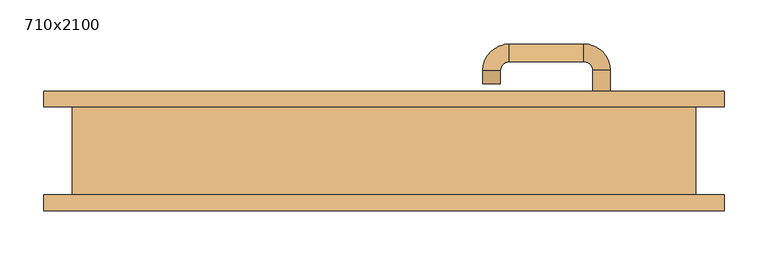
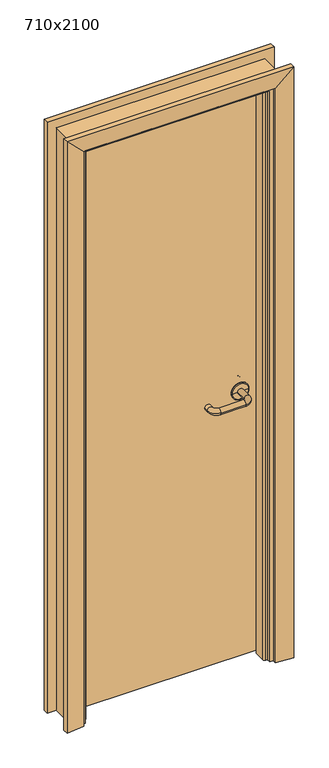
"""IFC4 building model written with IfcOpenShell, lengths in millimetres: door geometry, 710x2100."""

from ifc_helpers import new_model, si_unit, point, frame, origin, place, context, project, spatial, polyline, circle_curve, ellipse_curve, trimmed, outline, extrude, faceted_brep, source, transform, mapped, element, save
from ifc_brep_helpers import plane_surface, cylinder_surface, revolved_surface, advanced_brep


def door_710x2100_590fccc9(model_context):
    return source(origin(), model_context, "Body", "SolidModel", [
        advanced_brep(
        [(257.5389275, 50.0, 965.0), (237.5389275, 50.0, 965.0), (237.5389275, 91.7730895, 965.0), (257.5389275, 91.7730895, 965.0), (227.5389275, 121.7730895, 965.0), (227.5389275, 101.7730895, 965.0), (142.5389265, 101.7730895, 965.0), (142.5389265, 121.7730895, 965.0), (112.5389265, 91.7730895, 965.0), (132.5389265, 91.7730895, 965.0), (112.5389265, 76.7730887, 965.0), (132.5389265, 76.7730887, 965.0)],
        [
            (0, 1, circle_curve(frame((247.5389275, 50.0, 965.0), z_axis=(0.0, -1.0, 0.0), x_axis=(-1.0, 0.0, 0.0)), 10.0)),
            (1, 0, circle_curve(frame((247.5389275, 50.0, 965.0), z_axis=(0.0, -1.0, 0.0), x_axis=(-1.0, 0.0, 0.0)), 10.0)),
            (1, 2),
            (2, 3, circle_curve(frame((247.5389275, 91.7730895, 965.0), z_axis=(0.0, -1.0, 0.0), x_axis=(-1.0, 0.0, 0.0)), 10.0)),
            (3, 0),
            (3, 2, circle_curve(frame((247.5389275, 91.7730895, 965.0), z_axis=(0.0, -1.0, 0.0), x_axis=(-1.0, 0.0, 0.0)), 10.0)),
            (4, 3, circle_curve(frame((227.5389275, 91.7730895, 965.0), z_axis=(0.0, 0.0, -1.0), x_axis=(1.0, 0.0, 0.0)), 30.0)),
            (2, 5, circle_curve(frame((227.5389275, 91.7730895, 965.0), z_axis=(0.0, 0.0, 1.0), x_axis=(1.0, 0.0, 0.0)), 10.0)),
            (5, 4, circle_curve(frame((227.5389275, 111.7730895, 965.0), z_axis=(1.0, 0.0, 0.0), x_axis=(0.0, -1.0, 0.0)), 10.0)),
            (4, 5, circle_curve(frame((227.5389275, 111.7730895, 965.0), z_axis=(1.0, 0.0, 0.0), x_axis=(0.0, -1.0, 0.0)), 10.0)),
            (5, 6),
            (6, 7, circle_curve(frame((142.5389265, 111.7730895, 965.0), z_axis=(1.0, 0.0, 0.0), x_axis=(0.0, -1.0, 0.0)), 10.0)),
            (7, 4),
            (7, 6, circle_curve(frame((142.5389265, 111.7730895, 965.0), z_axis=(1.0, 0.0, 0.0), x_axis=(0.0, -1.0, 0.0)), 10.0)),
            (8, 7, circle_curve(frame((142.5389265, 91.7730895, 965.0), z_axis=(0.0, 0.0, -1.0), x_axis=(0.0, 1.0, 0.0)), 30.0)),
            (6, 9, circle_curve(frame((142.5389265, 91.7730895, 965.0), z_axis=(0.0, 0.0, 1.0), x_axis=(0.0, 1.0, 0.0)), 10.0)),
            (9, 8, circle_curve(frame((122.5389265, 91.7730895, 965.0), z_axis=(0.0, 1.0, 0.0), x_axis=(1.0, 0.0, 0.0)), 10.0)),
            (8, 9, circle_curve(frame((122.5389265, 91.7730895, 965.0), z_axis=(0.0, 1.0, 0.0), x_axis=(1.0, 0.0, 0.0)), 10.0)),
            (10, 11, circle_curve(frame((122.5389265, 76.7730887, 965.0), z_axis=(0.0, -1.0, 0.0), x_axis=(1.0, 0.0, 0.0)), 10.0)),
            (11, 10, circle_curve(frame((122.5389265, 76.7730887, 965.0), z_axis=(0.0, -1.0, 0.0), x_axis=(1.0, 0.0, 0.0)), 10.0)),
            (9, 11),
            (10, 8),
        ],
        [
            plane_surface(frame((247.5389275, 50.0, 965.0), z_axis=(0.0, -1.0, 0.0), x_axis=(0.0, 0.0, 1.0))),
            cylinder_surface(frame((247.5389275, 50.0, 965.0), z_axis=(0.0, -1.0, 0.0), x_axis=(-1.0, 0.0, 0.0)), 10.0),
            revolved_surface(trimmed(ellipse_curve(frame((247.5389275, 91.7730895, 965.0), z_axis=(0.0, -1.0, 0.0), x_axis=(-1.0, 0.0, 0.0)), 10.0, 10.0), [point((237.5389275, 91.7730895, 965.0))], [point((257.5389275, 91.7730895, 965.0))], True, "CARTESIAN"), (227.5389275, 91.7730895, 965.0), (0.0, 0.0, 1.0)),
            revolved_surface(trimmed(ellipse_curve(frame((247.5389275, 91.7730895, 965.0), z_axis=(0.0, -1.0, 0.0), x_axis=(-1.0, 0.0, 0.0)), 10.0, 10.0), [point((257.5389275, 91.7730895, 965.0))], [point((237.5389275, 91.7730895, 965.0))], True, "CARTESIAN"), (227.5389275, 91.7730895, 965.0), (0.0, 0.0, 1.0)),
            cylinder_surface(frame((227.5389275, 111.7730895, 965.0), z_axis=(1.0, 0.0, 0.0), x_axis=(0.0, -1.0, 0.0)), 10.0),
            revolved_surface(trimmed(ellipse_curve(frame((142.5389265, 111.7730895, 965.0), z_axis=(1.0, 0.0, 0.0), x_axis=(0.0, -1.0, 0.0)), 10.0, 10.0), [point((142.5389265, 101.7730895, 965.0))], [point((142.5389265, 121.7730895, 965.0))], True, "CARTESIAN"), (142.5389265, 91.7730895, 965.0), (0.0, 0.0, 1.0)),
            revolved_surface(trimmed(ellipse_curve(frame((142.5389265, 111.7730895, 965.0), z_axis=(1.0, 0.0, 0.0), x_axis=(0.0, -1.0, 0.0)), 10.0, 10.0), [point((142.5389265, 121.7730895, 965.0))], [point((142.5389265, 101.7730895, 965.0))], True, "CARTESIAN"), (142.5389265, 91.7730895, 965.0), (0.0, 0.0, 1.0)),
            plane_surface(frame((122.5389265, 76.7730887, 965.0), z_axis=(0.0, -1.0, 0.0), x_axis=(0.0, 0.0, 1.0))),
            cylinder_surface(frame((122.5389265, 91.7730895, 965.0), z_axis=(0.0, 1.0, 0.0), x_axis=(1.0, 0.0, 0.0)), 10.0),
        ],
        [
            (0, [[1, 2]]),
            (1, [[-2, 3, 4, 5]]),
            (1, [[-1, -5, 6, -3]]),
            (2, [[7, -4, 8, 9]]),
            (3, [[-8, -6, -7, 10]]),
            (4, [[-9, 11, 12, 13]]),
            (4, [[-10, -13, 14, -11]]),
            (5, [[15, -12, 16, 17]]),
            (6, [[-16, -14, -15, 18]]),
            (7, [[19, 20]]),
            (8, [[-17, 21, -19, 22]]),
            (8, [[-18, -22, -20, -21]]),
        ],
    ),
        advanced_brep(
        [(247.5389275, 50.0, 965.0), (217.5389281, 50.0, 965.0), (277.5389268, 50.0, 965.0), (217.5389281, 50.819943, 965.0), (277.5389268, 50.819943, 965.0), (274.5857807, 53.7730891, 965.0), (220.4920742, 53.7730891, 965.0), (247.5389275, 53.7730891, 965.0)],
        [
            (0, 1),
            (1, 2, circle_curve(frame((247.5389275, 50.0, 965.0), z_axis=(0.0, -1.0, 0.0), x_axis=(-1.0, 0.0, 0.0)), 29.9999993)),
            (2, 0),
            (2, 1, circle_curve(frame((247.5389275, 50.0, 965.0), z_axis=(0.0, -1.0, 0.0), x_axis=(-1.0, 0.0, 0.0)), 29.9999993)),
            (1, 3),
            (3, 4, circle_curve(frame((247.5389275, 50.819943, 965.0), z_axis=(0.0, -1.0, 0.0), x_axis=(-1.0, 0.0, 0.0)), 29.9999993)),
            (4, 2),
            (4, 3, circle_curve(frame((247.5389275, 50.819943, 965.0), z_axis=(0.0, -1.0, 0.0), x_axis=(-1.0, 0.0, 0.0)), 29.9999993)),
            (5, 6, circle_curve(frame((247.5389275, 53.7730891, 965.0), z_axis=(0.0, 1.0, 0.0), x_axis=(-1.0, 0.0, 0.0)), 27.0468532)),
            (6, 7),
            (7, 5),
            (6, 5, circle_curve(frame((247.5389275, 53.7730891, 965.0), z_axis=(0.0, 1.0, 0.0), x_axis=(-1.0, 0.0, 0.0)), 27.0468532)),
            (3, 6, circle_curve(frame((220.4920742, 50.819943, 965.0), z_axis=(0.0, 0.0, -1.0), x_axis=(1.0, 0.0, 0.0)), 2.9531461)),
            (5, 4, circle_curve(frame((274.5857807, 50.819943, 965.0), z_axis=(0.0, 0.0, -1.0), x_axis=(-1.0, 0.0, 0.0)), 2.9531461)),
        ],
        [
            plane_surface(frame((247.5389275, 50.0, 965.0), z_axis=(0.0, -1.0, 0.0), x_axis=(-1.0, 0.0, 0.0))),
            cylinder_surface(frame((247.5389275, 50.0, 965.0), z_axis=(0.0, -1.0, 0.0), x_axis=(-1.0, 0.0, 0.0)), 29.9999993),
            plane_surface(frame((247.5389275, 53.7730891, 965.0), z_axis=(0.0, 1.0, 0.0), x_axis=(-1.0, 0.0, 0.0))),
            revolved_surface(trimmed(ellipse_curve(frame((220.4920742, 50.819943, 965.0), z_axis=(0.0, 0.0, 1.0), x_axis=(1.0, 0.0, 0.0)), 2.9531461, 2.9531461), [point((220.4920742, 53.7730891, 965.0))], [point((217.5389281, 50.819943, 965.0))], True, "CARTESIAN"), (247.5389275, 50.0, 965.0), (0.0, -1.0, 0.0)),
        ],
        [
            (0, [[1, 2, 3]]),
            (0, [[-3, 4, -1]]),
            (1, [[-2, 5, 6, 7]]),
            (1, [[-4, -7, 8, -5]]),
            (2, [[9, 10, 11]]),
            (2, [[12, -11, -10]]),
            (3, [[-6, 13, -9, 14]]),
            (3, [[-8, -14, -12, -13]]),
        ],
    ),
        advanced_brep(
        [(257.5389275, 10.0, 965.0), (237.5389275, 10.0, 965.0), (257.5389275, -31.7730894, 965.0), (237.5389275, -31.7730894, 965.0), (227.5389275, -41.7730894, 965.0), (227.5389275, -61.7730894, 965.0), (142.5389265, -61.7730894, 965.0), (142.5389265, -41.7730894, 965.0), (132.5389265, -31.7730894, 965.0), (112.5389265, -31.7730894, 965.0), (112.5389265, -16.7730887, 965.0), (132.5389265, -16.7730887, 965.0)],
        [
            (0, 1, circle_curve(frame((247.5389275, 10.0, 965.0), z_axis=(0.0, 1.0, 0.0), x_axis=(-1.0, 0.0, 0.0)), 10.0)),
            (1, 0, circle_curve(frame((247.5389275, 10.0, 965.0), z_axis=(0.0, 1.0, 0.0), x_axis=(-1.0, 0.0, 0.0)), 10.0)),
            (0, 2),
            (2, 3, circle_curve(frame((247.5389275, -31.7730894, 965.0), z_axis=(0.0, 1.0, 0.0), x_axis=(-1.0, 0.0, 0.0)), 10.0)),
            (3, 1),
            (3, 2, circle_curve(frame((247.5389275, -31.7730894, 965.0), z_axis=(0.0, 1.0, 0.0), x_axis=(-1.0, 0.0, 0.0)), 10.0)),
            (4, 3, circle_curve(frame((227.5389275, -31.7730894, 965.0), z_axis=(0.0, 0.0, 1.0), x_axis=(1.0, 0.0, 0.0)), 10.0)),
            (2, 5, circle_curve(frame((227.5389275, -31.7730894, 965.0), z_axis=(0.0, 0.0, -1.0), x_axis=(1.0, 0.0, 0.0)), 30.0)),
            (5, 4, circle_curve(frame((227.5389275, -51.7730894, 965.0), z_axis=(1.0, 0.0, 0.0), x_axis=(0.0, 1.0, 0.0)), 10.0)),
            (4, 5, circle_curve(frame((227.5389275, -51.7730894, 965.0), z_axis=(1.0, 0.0, 0.0), x_axis=(0.0, 1.0, 0.0)), 10.0)),
            (5, 6),
            (6, 7, circle_curve(frame((142.5389265, -51.7730894, 965.0), z_axis=(1.0, 0.0, 0.0), x_axis=(0.0, 1.0, 0.0)), 10.0)),
            (7, 4),
            (7, 6, circle_curve(frame((142.5389265, -51.7730894, 965.0), z_axis=(1.0, 0.0, 0.0), x_axis=(0.0, 1.0, 0.0)), 10.0)),
            (8, 7, circle_curve(frame((142.5389265, -31.7730894, 965.0), z_axis=(0.0, 0.0, 1.0), x_axis=(0.0, -1.0, 0.0)), 10.0)),
            (6, 9, circle_curve(frame((142.5389265, -31.7730894, 965.0), z_axis=(0.0, 0.0, -1.0), x_axis=(0.0, -1.0, 0.0)), 30.0)),
            (9, 8, circle_curve(frame((122.5389265, -31.7730894, 965.0), z_axis=(0.0, -1.0, 0.0), x_axis=(1.0, 0.0, 0.0)), 10.0)),
            (8, 9, circle_curve(frame((122.5389265, -31.7730894, 965.0), z_axis=(0.0, -1.0, 0.0), x_axis=(1.0, 0.0, 0.0)), 10.0)),
            (10, 11, circle_curve(frame((122.5389265, -16.7730887, 965.0), z_axis=(0.0, 1.0, 0.0), x_axis=(1.0, 0.0, 0.0)), 10.0)),
            (11, 10, circle_curve(frame((122.5389265, -16.7730887, 965.0), z_axis=(0.0, 1.0, 0.0), x_axis=(1.0, 0.0, 0.0)), 10.0)),
            (9, 10),
            (11, 8),
        ],
        [
            plane_surface(frame((247.5389275, 10.0, 965.0), z_axis=(0.0, 1.0, 0.0), x_axis=(0.0, 0.0, 1.0))),
            cylinder_surface(frame((247.5389275, 10.0, 965.0), z_axis=(0.0, 1.0, 0.0), x_axis=(-1.0, 0.0, 0.0)), 10.0),
            revolved_surface(trimmed(ellipse_curve(frame((247.5389275, -31.7730894, 965.0), z_axis=(0.0, 1.0, 0.0), x_axis=(-1.0, 0.0, 0.0)), 10.0, 10.0), [point((257.5389275, -31.7730894, 965.0))], [point((237.5389275, -31.7730894, 965.0))], True, "CARTESIAN"), (227.5389275, -31.7730894, 965.0), (0.0, 0.0, -1.0)),
            revolved_surface(trimmed(ellipse_curve(frame((247.5389275, -31.7730894, 965.0), z_axis=(0.0, 1.0, 0.0), x_axis=(-1.0, 0.0, 0.0)), 10.0, 10.0), [point((237.5389275, -31.7730894, 965.0))], [point((257.5389275, -31.7730894, 965.0))], True, "CARTESIAN"), (227.5389275, -31.7730894, 965.0), (0.0, 0.0, -1.0)),
            cylinder_surface(frame((227.5389275, -51.7730894, 965.0), z_axis=(1.0, 0.0, 0.0), x_axis=(0.0, 1.0, 0.0)), 10.0),
            revolved_surface(trimmed(ellipse_curve(frame((142.5389265, -51.7730894, 965.0), z_axis=(1.0, 0.0, 0.0), x_axis=(0.0, 1.0, 0.0)), 10.0, 10.0), [point((142.5389265, -61.7730894, 965.0))], [point((142.5389265, -41.7730894, 965.0))], True, "CARTESIAN"), (142.5389265, -31.7730894, 965.0), (0.0, 0.0, -1.0)),
            revolved_surface(trimmed(ellipse_curve(frame((142.5389265, -51.7730894, 965.0), z_axis=(1.0, 0.0, 0.0), x_axis=(0.0, 1.0, 0.0)), 10.0, 10.0), [point((142.5389265, -41.7730894, 965.0))], [point((142.5389265, -61.7730894, 965.0))], True, "CARTESIAN"), (142.5389265, -31.7730894, 965.0), (0.0, 0.0, -1.0)),
            plane_surface(frame((122.5389265, -16.7730887, 965.0), z_axis=(0.0, 1.0, 0.0), x_axis=(0.0, 0.0, 1.0))),
            cylinder_surface(frame((122.5389265, -31.7730894, 965.0), z_axis=(0.0, -1.0, 0.0), x_axis=(1.0, 0.0, 0.0)), 10.0),
        ],
        [
            (0, [[1, 2]]),
            (1, [[-1, 3, 4, 5]]),
            (1, [[-2, -5, 6, -3]]),
            (2, [[7, -4, 8, 9]]),
            (3, [[-8, -6, -7, 10]]),
            (4, [[-9, 11, 12, 13]]),
            (4, [[-10, -13, 14, -11]]),
            (5, [[15, -12, 16, 17]]),
            (6, [[-16, -14, -15, 18]]),
            (7, [[19, 20]]),
            (8, [[-17, 21, -20, 22]]),
            (8, [[-18, -22, -19, -21]]),
        ],
    ),
        advanced_brep(
        [(277.5389268, 10.0, 965.0), (217.5389281, 10.0, 965.0), (247.5389275, 10.0, 965.0), (277.5389268, 9.180057, 965.0), (217.5389281, 9.180057, 965.0), (247.5389275, 6.2269109, 965.0), (220.4920742, 6.2269109, 965.0), (274.5857807, 6.2269109, 965.0)],
        [
            (0, 1, circle_curve(frame((247.5389275, 10.0, 965.0), z_axis=(0.0, 1.0, 0.0), x_axis=(-1.0, 0.0, 0.0)), 29.9999993)),
            (1, 2),
            (2, 0),
            (1, 0, circle_curve(frame((247.5389275, 10.0, 965.0), z_axis=(0.0, 1.0, 0.0), x_axis=(-1.0, 0.0, 0.0)), 29.9999993)),
            (3, 4, circle_curve(frame((247.5389275, 9.180057, 965.0), z_axis=(0.0, 1.0, 0.0), x_axis=(-1.0, 0.0, 0.0)), 29.9999993)),
            (4, 1),
            (0, 3),
            (4, 3, circle_curve(frame((247.5389275, 9.180057, 965.0), z_axis=(0.0, 1.0, 0.0), x_axis=(-1.0, 0.0, 0.0)), 29.9999993)),
            (5, 6),
            (6, 7, circle_curve(frame((247.5389275, 6.2269109, 965.0), z_axis=(0.0, -1.0, 0.0), x_axis=(-1.0, 0.0, 0.0)), 27.0468532)),
            (7, 5),
            (7, 6, circle_curve(frame((247.5389275, 6.2269109, 965.0), z_axis=(0.0, -1.0, 0.0), x_axis=(-1.0, 0.0, 0.0)), 27.0468532)),
            (6, 4, circle_curve(frame((220.4920742, 9.180057, 965.0), z_axis=(0.0, 0.0, -1.0), x_axis=(1.0, 0.0, 0.0)), 2.9531461)),
            (3, 7, circle_curve(frame((274.5857807, 9.180057, 965.0), z_axis=(0.0, 0.0, -1.0), x_axis=(-1.0, 0.0, 0.0)), 2.9531461)),
        ],
        [
            plane_surface(frame((247.5389275, 10.0, 965.0), z_axis=(0.0, 1.0, 0.0), x_axis=(-1.0, 0.0, 0.0))),
            cylinder_surface(frame((247.5389275, 10.0, 965.0), z_axis=(0.0, -1.0, 0.0), x_axis=(-1.0, 0.0, 0.0)), 29.9999993),
            plane_surface(frame((247.5389275, 6.2269109, 965.0), z_axis=(0.0, -1.0, 0.0), x_axis=(-1.0, 0.0, 0.0))),
            revolved_surface(trimmed(ellipse_curve(frame((220.4920742, 9.180057, 965.0), z_axis=(0.0, 0.0, 1.0), x_axis=(1.0, 0.0, 0.0)), 2.9531461, 2.9531461), [point((217.5389281, 9.180057, 965.0))], [point((220.4920742, 6.2269109, 965.0))], True, "CARTESIAN"), (247.5389275, 10.0, 965.0), (0.0, -1.0, 0.0)),
        ],
        [
            (0, [[1, 2, 3]]),
            (0, [[4, -3, -2]]),
            (1, [[5, 6, -1, 7]]),
            (1, [[8, -7, -4, -6]]),
            (2, [[9, 10, 11]]),
            (2, [[-11, 12, -9]]),
            (3, [[-10, 13, -5, 14]]),
            (3, [[-12, -14, -8, -13]]),
        ],
    ),
        extrude(outline(polyline([(312.5389275, 50.0), (312.5389275, 10.0), (-312.538929, 10.0), (-312.538929, 50.0), (312.5389275, 50.0)])), frame((0.0, 0.0, 10.0), z_axis=(0.0, 0.0, 1.0), x_axis=(1.0, 0.0, 0.0)), (0.0, 0.0, 1.0), 2047.0),
        advanced_brep(
        [(355.0, -50.0, 0.0), (315.0389382, -50.0, 0.0), (315.0389382, -36.0356785, 0.0), (309.0397424, -36.0356785, 0.0), (302.938932, -29.9348682, 0.0), (302.938932, 7.9643213, 0.0), (315.0389382, 7.9643213, 0.0), (315.0389382, 50.0, 0.0), (355.0, 50.0, 0.0), (355.0, -50.0, 2100.0), (-355.0, -50.0, 2100.0), (-355.0, -50.0, 0.0), (-315.0389382, -50.0, 0.0), (-315.0389382, -50.0, 2060.0389382), (315.0389382, -50.0, 2060.0389382), (315.0389382, -36.0356785, 2060.0389382), (-315.0389382, -36.0356785, 2060.0389382), (-315.0389382, -36.0356785, 0.0), (-309.0397424, -36.0356785, 0.0), (-309.0397424, -36.0356785, 2054.0397424), (309.0397424, -36.0356785, 2054.0397424), (302.938932, -29.9348682, 2047.938932), (302.938932, 7.9643213, 2047.938932), (-302.938932, 7.9643213, 2047.938932), (-302.938932, 7.9643213, 0.0), (-315.0389382, 7.9643213, 0.0), (-315.0389382, 7.9643213, 2060.0389382), (315.0389382, 7.9643213, 2060.0389382), (315.0389382, 50.0, 2060.0389382), (355.0, 50.0, 2100.0), (-302.938932, -29.9348682, 2047.938932), (-315.0389382, 50.0, 2060.0389382), (-355.0, 50.0, 2100.0), (-355.0, 50.0, 0.0), (-315.0389382, 50.0, 0.0), (-302.938932, -29.9348682, 0.0)],
        [
            (0, 1),
            (1, 2),
            (2, 3),
            (3, 4, circle_curve(frame((309.0397424, -29.9348682, 0.0), z_axis=(0.0, 0.0, -1.0), x_axis=(-1.0, 0.0, 0.0)), 6.1008103)),
            (4, 5),
            (5, 6),
            (6, 7),
            (7, 8),
            (8, 0),
            (0, 9),
            (9, 10),
            (10, 11),
            (11, 12),
            (12, 13),
            (13, 14),
            (14, 1),
            (14, 15),
            (15, 2),
            (15, 16),
            (16, 17),
            (17, 18),
            (18, 19),
            (19, 20),
            (20, 3),
            (20, 21, ellipse_curve(frame((309.0397424, -29.9348682, 2054.0397424), z_axis=(0.7071067811865475, 0.0, -0.7071067811865475), x_axis=(-0.7071067811865474, 0.0, -0.7071067811865476)), 8.6278487, 6.1008103)),
            (21, 4),
            (21, 22),
            (22, 5),
            (22, 23),
            (23, 24),
            (24, 25),
            (25, 26),
            (26, 27),
            (27, 6),
            (27, 28),
            (28, 7),
            (8, 29),
            (29, 9),
            (13, 16),
            (19, 30, ellipse_curve(frame((-309.0397424, -29.9348682, 2054.0397424), z_axis=(0.7071067811865475, 0.0, 0.7071067811865475), x_axis=(0.7071067811865476, 0.0, -0.7071067811865474)), 8.6278487, 6.1008103)),
            (30, 21),
            (30, 23),
            (26, 31),
            (31, 28),
            (29, 32),
            (32, 10),
            (11, 33),
            (33, 34),
            (34, 25),
            (24, 35),
            (35, 18, circle_curve(frame((-309.0397424, -29.9348682, 0.0), z_axis=(0.0, 0.0, -1.0), x_axis=(1.0, 0.0, 0.0)), 6.1008103)),
            (17, 12),
            (35, 30),
            (34, 31),
            (32, 33),
        ],
        [
            plane_surface(frame((355.0, 50.0, 0.0), z_axis=(0.0, 0.0, -1.0), x_axis=(0.0, -1.0, 0.0))),
            plane_surface(frame((355.0, -50.0, 0.0), z_axis=(0.0, -1.0, 0.0), x_axis=(0.0, 0.0, 1.0))),
            plane_surface(frame((315.0389382, -50.0, 0.0), z_axis=(-1.0, 0.0, 0.0), x_axis=(0.0, 0.0, 1.0))),
            plane_surface(frame((315.0389382, -36.0356785, 0.0), z_axis=(0.0, -1.0, 0.0), x_axis=(0.0, 0.0, 1.0))),
            cylinder_surface(frame((309.0397424, -29.9348682, 0.0), z_axis=(0.0, 0.0, -1.0), x_axis=(-1.0, 0.0, 0.0)), 6.1008103),
            plane_surface(frame((302.938932, -29.9348682, 0.0), z_axis=(-1.0, 0.0, 0.0), x_axis=(0.0, 0.0, 1.0))),
            plane_surface(frame((302.938932, 7.9643213, 0.0), z_axis=(0.0, 1.0, 0.0), x_axis=(0.0, 0.0, 1.0))),
            plane_surface(frame((315.0389382, 7.9643213, 0.0), z_axis=(-1.0, 0.0, 0.0), x_axis=(0.0, 0.0, 1.0))),
            plane_surface(frame((355.0, 50.0, 0.0), z_axis=(1.0, 0.0, 0.0), x_axis=(0.0, 0.0, 1.0))),
            plane_surface(frame((315.0389382, -50.0, 2060.0389382), z_axis=(0.0, 0.0, -1.0), x_axis=(-1.0, 0.0, 0.0))),
            cylinder_surface(frame((355.0, -29.9348682, 2054.0397424), z_axis=(1.0, 0.0, 0.0), x_axis=(0.0, 0.0, -1.0)), 6.1008103),
            plane_surface(frame((302.938932, -29.9348682, 2047.938932), z_axis=(0.0, 0.0, -1.0), x_axis=(-1.0, 0.0, 0.0))),
            plane_surface(frame((315.0389382, 7.9643213, 2060.0389382), z_axis=(0.0, 0.0, -1.0), x_axis=(-1.0, 0.0, 0.0))),
            plane_surface(frame((355.0, 50.0, 2100.0), z_axis=(0.0, 0.0, 1.0), x_axis=(-1.0, 0.0, 0.0))),
            plane_surface(frame((-355.0, 50.0, 0.0), z_axis=(0.0, 0.0, -1.0), x_axis=(0.0, -1.0, 0.0))),
            plane_surface(frame((-315.0389382, -50.0, 2060.0389382), z_axis=(1.0, 0.0, 0.0), x_axis=(0.0, 0.0, -1.0))),
            cylinder_surface(frame((-309.0397424, -29.9348682, 2100.0), z_axis=(0.0, 0.0, 1.0), x_axis=(1.0, 0.0, 0.0)), 6.1008103),
            plane_surface(frame((-302.938932, -29.9348682, 2047.938932), z_axis=(1.0, 0.0, 0.0), x_axis=(0.0, 0.0, -1.0))),
            plane_surface(frame((-315.0389382, 7.9643213, 2060.0389382), z_axis=(1.0, 0.0, 0.0), x_axis=(0.0, 0.0, -1.0))),
            plane_surface(frame((-355.0, 50.0, 2100.0), z_axis=(-1.0, 0.0, 0.0), x_axis=(0.0, 0.0, -1.0))),
            plane_surface(frame((315.0389382, 50.0, 0.0), z_axis=(0.0, 1.0, 0.0), x_axis=(0.0, 0.0, 1.0))),
        ],
        [
            (0, [[1, 2, 3, 4, 5, 6, 7, 8, 9]]),
            (1, [[-1, 10, 11, 12, 13, 14, 15, 16]]),
            (2, [[-2, -16, 17, 18]]),
            (3, [[-3, -18, 19, 20, 21, 22, 23, 24]]),
            (4, [[-4, -24, 25, 26]]),
            (5, [[-5, -26, 27, 28]]),
            (6, [[-6, -28, 29, 30, 31, 32, 33, 34]]),
            (7, [[-7, -34, 35, 36]]),
            (8, [[-9, 37, 38, -10]]),
            (9, [[-17, -15, 39, -19]]),
            (10, [[-25, -23, 40, 41]]),
            (11, [[-27, -41, 42, -29]]),
            (12, [[-35, -33, 43, 44]]),
            (13, [[-38, 45, 46, -11]]),
            (14, [[47, 48, 49, -31, 50, 51, -21, 52, -13]]),
            (15, [[-39, -14, -52, -20]]),
            (16, [[-40, -22, -51, 53]]),
            (17, [[-42, -53, -50, -30]]),
            (18, [[-43, -32, -49, 54]]),
            (19, [[-46, 55, -47, -12]]),
            (20, [[-8, -36, -44, -54, -48, -55, -45, -37]]),
        ],
    ),
        faceted_brep([(-387.0361788, -67.9999998, 0.0), (-387.0361788, -50.0, 0.0), (-327.0362074, -50.0, 0.0), (-327.0362074, -61.9999981, 0.0), (-327.0362074, -61.9999981, 2071.4999916), (-387.0361788, -67.9999998, 2131.499963), (-327.0362074, -50.0, 2071.4999916), (-387.0361788, -50.0, 2131.499963), (387.0361788, -50.0, 2131.499963), (387.0361788, -50.0, 0.0), (327.0362074, -50.0, 0.0), (327.0362074, -50.0, 2071.4999916), (327.0362074, -61.9999981, 2071.4999916), (387.0361788, -67.9999998, 2131.499963), (387.0361788, -67.9999998, 0.0), (327.0362074, -61.9999981, 0.0)], [[[0, 1, 2, 3]], [[0, 3, 4, 5]], [[3, 2, 6, 4]], [[2, 1, 7, 8, 9, 10, 11, 6]], [[1, 0, 5, 7]], [[5, 4, 12, 13]], [[4, 6, 11, 12]], [[7, 5, 13, 8]], [[14, 15, 10, 9]], [[13, 12, 15, 14]], [[12, 11, 10, 15]], [[8, 13, 14, 9]]]),
        faceted_brep([(-387.0361788, 67.9999998, 0.0), (-327.0362074, 61.9999981, 0.0), (-327.0362074, 50.0, 0.0), (-387.0361788, 50.0, 0.0), (-387.0361788, 67.9999998, 2131.499963), (-327.0362074, 61.9999981, 2071.4999916), (-327.0362074, 50.0, 2071.4999916), (327.0362074, 50.0, 2071.4999916), (327.0362074, 50.0, 0.0), (387.0361788, 50.0, 0.0), (387.0361788, 50.0, 2131.499963), (-387.0361788, 50.0, 2131.499963), (387.0361788, 67.9999998, 2131.499963), (327.0362074, 61.9999981, 2071.4999916), (387.0361788, 67.9999998, 0.0), (327.0362074, 61.9999981, 0.0)], [[[0, 1, 2, 3]], [[1, 0, 4, 5]], [[3, 2, 6, 7, 8, 9, 10, 11]], [[0, 3, 11, 4]], [[5, 4, 12, 13]], [[4, 11, 10, 12]], [[14, 9, 8, 15]], [[13, 12, 14, 15]], [[12, 10, 9, 14]], [[2, 1, 5, 6]], [[6, 5, 13, 7]], [[7, 13, 15, 8]]]),
    ])


if __name__ == "__main__":
    model = new_model("IFC4")
    model_context = context("Model", 3, world=origin())
    ifc_project = project(units=[si_unit("LENGTHUNIT", "METRE", prefix="MILLI")], contexts=[model_context])
    site = spatial("IfcSite", under=ifc_project)
    building = spatial("IfcBuilding", under=site)
    placement = place(None, origin())
    door_710x2100_shape = door_710x2100_590fccc9(model_context)
    element("IfcDoor", 1, ObjectType="710x2100", at=placement, inside=building, context=model_context, shape_type="MappedRepresentation", body=[
        mapped(door_710x2100_shape, transform((0.0, 0.0, 0.0), x_axis=(1.0, 0.0, 0.0), y_axis=(0.0, 1.0, 0.0), z_axis=(0.0, 0.0, 1.0))),
    ])
    save(model, "model.ifc")
